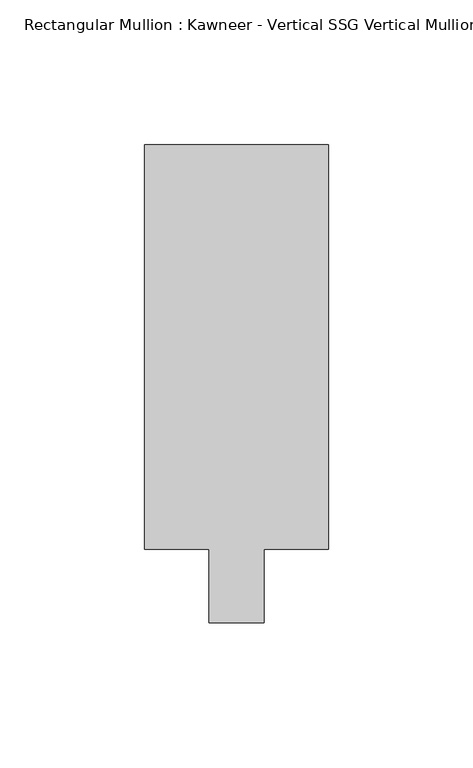
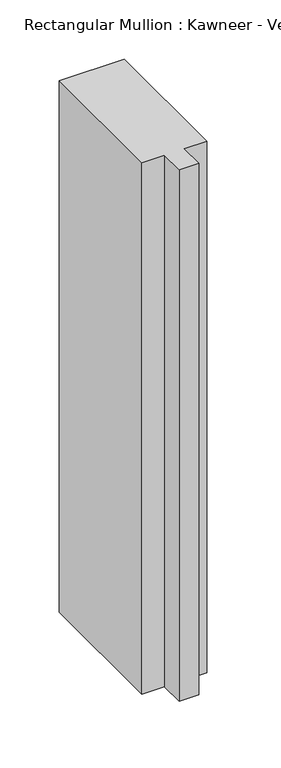
"""IFC4 building model written with IfcOpenShell, lengths in millimetres: member geometry."""

from ifc_helpers import new_model, si_unit, frame, origin, place, context, project, spatial, polyline, outline, extrude, source, transform, mapped, element, save


def member_6ecc8484(model_context):
    return source(origin(), model_context, "Body", "SweptSolid", [
        extrude(outline(polyline([(-31.75, 12.7), (-31.75, 152.399995), (31.75, 152.399995), (31.75, 12.7), (9.5251132, 12.7), (9.5251132, -12.7), (-9.5251132, -12.7), (-9.5251132, 12.7), (-31.75, 12.7)])), frame((0.0, 0.0, -549.2750377), z_axis=(0.0, 0.0, 1.0), x_axis=(1.0, 0.0, 0.0)), (0.0, 0.0, 1.0), 549.2750377),
    ])


if __name__ == "__main__":
    model = new_model("IFC4")
    model_context = context("Model", 3, world=origin())
    ifc_project = project(units=[si_unit("LENGTHUNIT", "METRE", prefix="MILLI")], contexts=[model_context])
    site = spatial("IfcSite", under=ifc_project)
    building = spatial("IfcBuilding", under=site)
    placement = place(None, origin())
    member_shape = member_6ecc8484(model_context)
    element("IfcMember", 1, ObjectType="Rectangular Mullion : Kawneer - Vertical SSG Vertical Mullion - 7 1/2\"", at=placement, inside=building, context=model_context, shape_type="MappedRepresentation", body=[
        mapped(member_shape, transform((0.0, 0.0, 0.0), x_axis=(1.0, 0.0, 0.0), y_axis=(0.0, 1.0, 0.0), z_axis=(0.0, 0.0, 1.0))),
    ])
    save(model, "model.ifc")
